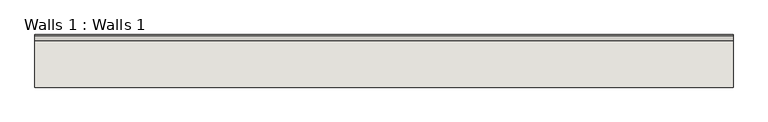
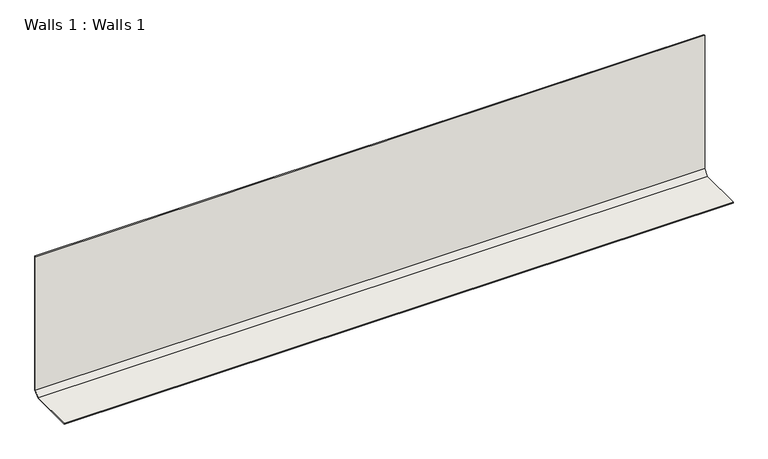
"""IFC4 building model written with IfcOpenShell, lengths in millimetres: wall geometry, Walls 1 : Walls 1."""

from ifc_helpers import new_model, si_unit, frame, origin, place, context, project, spatial, polyline, outline, extrude, source, transform, mapped, element, save


def walls_1_walls_1_8c25f3b8(model_context):
    return source(origin(), model_context, "Body", "SweptSolid", [
        extrude(outline(polyline([(2214.5559162, 3.1732159), (2231.7478283, 20.3651281), (2231.7478283, 502.7360524), (2234.9228283, 502.7360524), (2234.9228283, 19.05), (2215.8728283, 0.0), (2062.5729492, 0.0), (2062.5729492, 3.1732159), (2214.5559162, 3.1732159)])), frame((-316.1487929, 0.0, 0.0), z_axis=(1.0, 0.0, 0.0), x_axis=(0.0, 1.0, 0.0)), (0.0, 0.0, 1.0), 2286.0),
    ])


if __name__ == "__main__":
    model = new_model("IFC4")
    model_context = context("Model", 3, world=origin())
    ifc_project = project(units=[si_unit("LENGTHUNIT", "METRE", prefix="MILLI")], contexts=[model_context])
    site = spatial("IfcSite", under=ifc_project)
    building = spatial("IfcBuilding", under=site)
    placement = place(None, origin())
    walls_1_walls_1_shape = walls_1_walls_1_8c25f3b8(model_context)
    element("IfcWall", 1, ObjectType="Walls 1 : Walls 1", at=placement, inside=building, context=model_context, shape_type="MappedRepresentation", body=[
        mapped(walls_1_walls_1_shape, transform((0.0, 0.0, 0.0), x_axis=(1.0, 0.0, 0.0), y_axis=(0.0, 1.0, 0.0), z_axis=(0.0, 0.0, 1.0))),
    ])
    save(model, "model.ifc")
